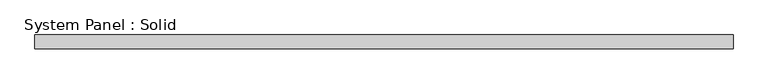
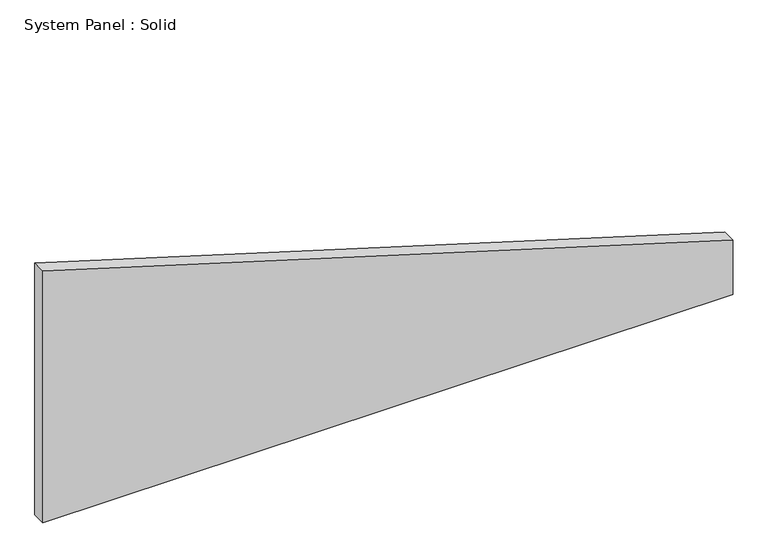
"""IFC4 building model written with IfcOpenShell, lengths in millimetres: plate geometry, System Panel : Solid."""

from ifc_helpers import new_model, si_unit, frame, origin, place, context, project, spatial, polyline, outline, extrude, source, transform, mapped, element, save


def system_panel_solid_1ec0bf4a(model_context):
    return source(origin(), model_context, "Body", "SweptSolid", [
        extrude(outline(polyline([(0.0, -1500.0), (0.0, 1500.0), (249.8616348, 1500.0), (1157.0578556, -1500.0), (0.0, -1500.0)])), frame((0.0, -10.5, 0.0), z_axis=(0.0, 1.0, 0.0), x_axis=(0.0, 0.0, 1.0)), (0.0, 0.0, 1.0), 60.0),
    ])


if __name__ == "__main__":
    model = new_model("IFC4")
    model_context = context("Model", 3, world=origin())
    ifc_project = project(units=[si_unit("LENGTHUNIT", "METRE", prefix="MILLI")], contexts=[model_context])
    site = spatial("IfcSite", under=ifc_project)
    building = spatial("IfcBuilding", under=site)
    placement = place(None, origin())
    system_panel_solid_shape = system_panel_solid_1ec0bf4a(model_context)
    element("IfcPlate", 1, ObjectType="System Panel : Solid", at=placement, inside=building, context=model_context, shape_type="MappedRepresentation", body=[
        mapped(system_panel_solid_shape, transform((0.0, 0.0, 0.0), x_axis=(1.0, 0.0, 0.0), y_axis=(0.0, 1.0, 0.0), z_axis=(0.0, 0.0, 1.0))),
    ])
    save(model, "model.ifc")
